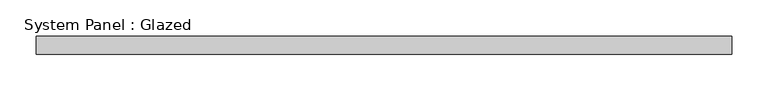
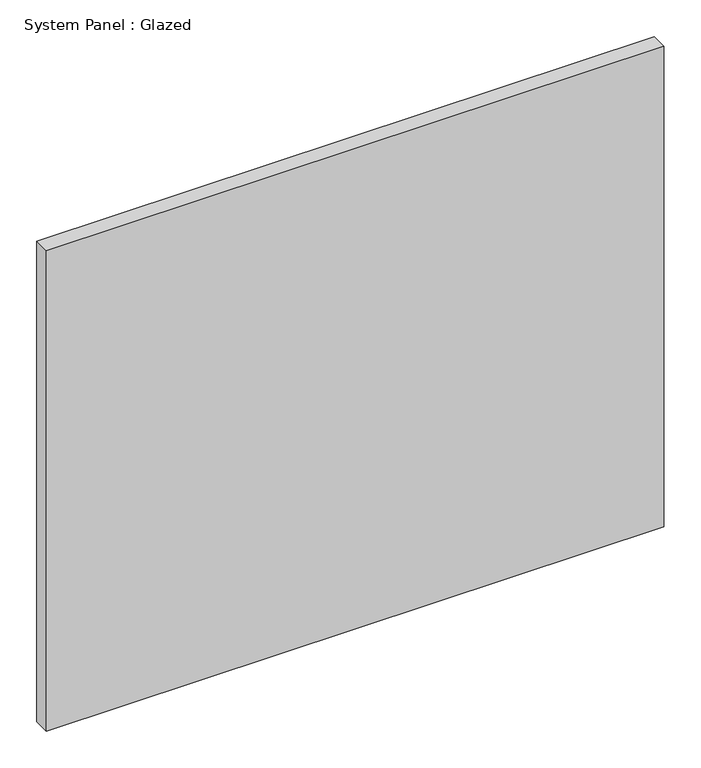
"""IFC4 building model written with IfcOpenShell, lengths in millimetres: plate geometry, System Panel : Glazed."""

from ifc_helpers import new_model, si_unit, origin, origin_with_axes, place, context, project, spatial, polyline, outline, extrude, source, transform, mapped, element, save


def system_panel_glazed_4f6f3f58(model_context):
    return source(origin(), model_context, "Body", "SweptSolid", [
        extrude(outline(polyline([(482.6, 19.05), (-482.6, 19.05), (-482.6, 44.45), (482.6, 44.45), (482.6, 19.05)])), origin_with_axes(), (0.0, 0.0, 1.0), 793.75),
    ])


if __name__ == "__main__":
    model = new_model("IFC4")
    model_context = context("Model", 3, world=origin())
    ifc_project = project(units=[si_unit("LENGTHUNIT", "METRE", prefix="MILLI")], contexts=[model_context])
    site = spatial("IfcSite", under=ifc_project)
    building = spatial("IfcBuilding", under=site)
    placement = place(None, origin())
    system_panel_glazed_shape = system_panel_glazed_4f6f3f58(model_context)
    element("IfcPlate", 1, ObjectType="System Panel : Glazed", at=placement, inside=building, context=model_context, shape_type="MappedRepresentation", body=[
        mapped(system_panel_glazed_shape, transform((0.0, 0.0, 0.0), x_axis=(1.0, 0.0, 0.0), y_axis=(0.0, 1.0, 0.0), z_axis=(0.0, 0.0, 1.0))),
    ])
    save(model, "model.ifc")
